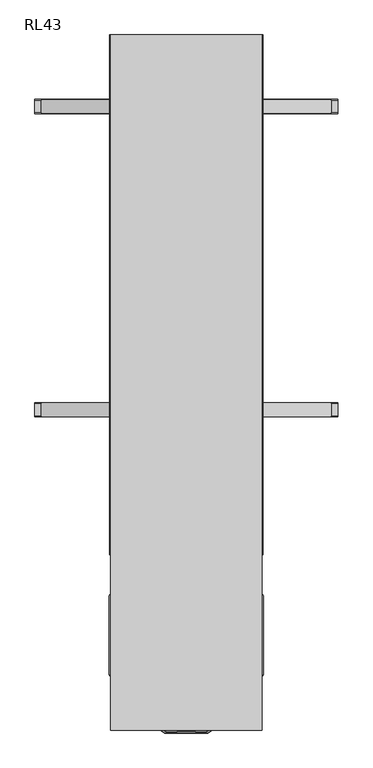
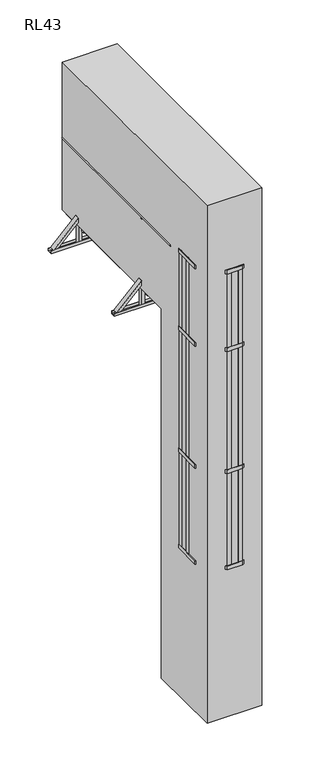
"""IFC4 building model written with IfcOpenShell, lengths in millimetres: proxy geometry, RL43."""

from ifc_helpers import new_model, si_unit, point, frame, frame_2d, origin, place, context, project, spatial, polyline, circle_curve, trimmed, segment, composite_curve, outline, extrude, faceted_brep, source, transform, mapped, element, save
from ifc_brep_helpers import plane_surface, cylinder_surface, advanced_brep


def rl43_3985ec1a(model_context):
    return source(origin(), model_context, "Body", "SolidModel", [
        advanced_brep(
        [(309.5, 2400.0, 5486.25), (309.5, 2400.0, 5459.75), (309.5, 41.3809842, 5486.25), (309.5, 41.3809842, 5459.75), (294.5187617, 41.3809842, 5493.0)],
        [
            (0, 1),
            (1, 0, circle_curve(frame((294.5187617, 2400.0, 5473.0), z_axis=(0.0, 1.0, 0.0), x_axis=(-1.0, 0.0, 0.0)), 20.0)),
            (0, 2),
            (2, 3),
            (3, 1),
            (3, 4, circle_curve(frame((294.5187617, 41.3809842, 5473.0), z_axis=(0.0, 1.0, 0.0), x_axis=(-1.0, 0.0, 0.0)), 20.0)),
            (4, 2, circle_curve(frame((294.5187617, 41.3809842, 5473.0), z_axis=(0.0, 1.0, 0.0), x_axis=(-1.0, 0.0, 0.0)), 20.0)),
        ],
        [
            plane_surface(frame((274.5187617, 2400.0, 5473.0), z_axis=(0.0, 1.0, 0.0), x_axis=(0.0, 0.0, 1.0))),
            plane_surface(frame((309.5, 0.0, 5459.75), z_axis=(1.0, 0.0, 0.0), x_axis=(0.0, 1.0, 0.0))),
            cylinder_surface(frame((294.5187617, 2400.0, 5473.0), z_axis=(0.0, -1.0, 0.0), x_axis=(-1.0, 0.0, 0.0)), 20.0),
            plane_surface(frame((372.2487373, 41.3809842, 5000.0), z_axis=(0.0, -1.0, 0.0), x_axis=(-1.0, 0.0, 0.0))),
        ],
        [
            (0, [[1, 2]]),
            (1, [[-1, 3, 4, 5]]),
            (2, [[-2, -5, 6, 7, -3]]),
            (3, [[-4, -7, -6]]),
        ],
    ),
        advanced_brep(
        [(-309.5, 2400.0, 5486.25), (-309.5, 2400.0, 5459.75), (-309.5, 41.3809842, 5459.75), (-309.5, 41.3809842, 5486.25), (-294.5187617, 41.3809842, 5493.0)],
        [
            (0, 1, circle_curve(frame((-294.5187617, 2400.0, 5473.0), z_axis=(0.0, 1.0, 0.0), x_axis=(1.0, 0.0, 0.0)), 20.0)),
            (1, 0),
            (1, 2),
            (2, 3),
            (3, 0),
            (3, 4, circle_curve(frame((-294.5187617, 41.3809842, 5473.0), z_axis=(0.0, 1.0, 0.0), x_axis=(1.0, 0.0, 0.0)), 20.0)),
            (4, 2, circle_curve(frame((-294.5187617, 41.3809842, 5473.0), z_axis=(0.0, 1.0, 0.0), x_axis=(1.0, 0.0, 0.0)), 20.0)),
        ],
        [
            plane_surface(frame((-309.5, 2400.0, 5459.75), z_axis=(0.0, 1.0, 0.0), x_axis=(0.0, 0.0, 1.0))),
            plane_surface(frame((-309.5, 0.0, 5486.25), z_axis=(-1.0, 0.0, 0.0), x_axis=(0.0, 1.0, 0.0))),
            cylinder_surface(frame((-294.5187617, 2400.0, 5473.0), z_axis=(0.0, -1.0, 0.0), x_axis=(1.0, 0.0, 0.0)), 20.0),
            plane_surface(frame((372.2487373, 41.3809842, 5000.0), z_axis=(0.0, -1.0, 0.0), x_axis=(-1.0, 0.0, 0.0))),
        ],
        [
            (0, [[1, 2]]),
            (1, [[-2, 3, 4, 5]]),
            (2, [[-1, -5, 6, 7, -3]]),
            (3, [[-4, -7, -6]]),
        ],
    ),
        advanced_brep(
        [(349.5, 2400.0, 5961.43534), (349.5, 2400.0, 5943.0), (307.5, 2400.0, 5943.0), (307.5, 2400.0, 5961.43534), (349.5, 0.0, 5961.43534), (349.5, 0.0, 5943.0), (307.5, 0.0, 5943.0), (307.5, 0.0, 5961.43534), (328.5, 0.0, 6000.0)],
        [
            (0, 1),
            (1, 2),
            (2, 3),
            (3, 0, circle_curve(frame((328.5, 2400.0, 5975.0), z_axis=(0.0, 1.0, 0.0), x_axis=(-1.0, 0.0, 0.0)), 25.0)),
            (4, 5),
            (5, 1),
            (0, 4),
            (5, 6),
            (6, 2),
            (6, 7),
            (7, 3),
            (7, 8, circle_curve(frame((328.5, 0.0, 5975.0), z_axis=(0.0, 1.0, 0.0), x_axis=(-1.0, 0.0, 0.0)), 25.0)),
            (8, 4, circle_curve(frame((328.5, 0.0, 5975.0), z_axis=(0.0, 1.0, 0.0), x_axis=(-1.0, 0.0, 0.0)), 25.0)),
        ],
        [
            plane_surface(frame((303.5, 2400.0, 5975.0), z_axis=(0.0, 1.0, 0.0), x_axis=(0.0, 0.0, 1.0))),
            plane_surface(frame((349.5, 0.0, 5943.0), z_axis=(1.0, 0.0, 0.0), x_axis=(0.0, 1.0, 0.0))),
            plane_surface(frame((307.5, 0.0, 5943.0), z_axis=(0.0, 0.0, -1.0), x_axis=(0.0, 1.0, 0.0))),
            plane_surface(frame((307.5, 0.0, 5961.43534), z_axis=(-1.0, 0.0, 0.0), x_axis=(0.0, 1.0, 0.0))),
            cylinder_surface(frame((328.5, 2400.0, 5975.0), z_axis=(0.0, -1.0, 0.0), x_axis=(-1.0, 0.0, 0.0)), 25.0),
            plane_surface(frame((303.5, 0.0, 5975.0), z_axis=(0.0, -1.0, 0.0), x_axis=(0.0, 0.0, -1.0))),
        ],
        [
            (0, [[1, 2, 3, 4]]),
            (1, [[5, 6, -1, 7]]),
            (2, [[8, 9, -2, -6]]),
            (3, [[10, 11, -3, -9]]),
            (4, [[-4, -11, 12, 13, -7]]),
            (5, [[-10, -8, -5, -13, -12]]),
        ],
    ),
        advanced_brep(
        [(-349.5, 2400.0, 5961.43534), (-307.5, 2400.0, 5961.43534), (-307.5, 2400.0, 5943.0), (-349.5, 2400.0, 5943.0), (-349.5, 0.0, 5943.0), (-349.5, 0.0, 5961.43534), (-307.5, 0.0, 5943.0), (-307.5, 0.0, 5961.43534), (-328.5, 0.0, 6000.0)],
        [
            (0, 1, circle_curve(frame((-328.5, 2400.0, 5975.0), z_axis=(0.0, 1.0, 0.0), x_axis=(1.0, 0.0, 0.0)), 25.0)),
            (1, 2),
            (2, 3),
            (3, 0),
            (4, 5),
            (5, 0),
            (3, 4),
            (6, 4),
            (2, 6),
            (7, 6),
            (1, 7),
            (5, 8, circle_curve(frame((-328.5, 0.0, 5975.0), z_axis=(0.0, 1.0, 0.0), x_axis=(1.0, 0.0, 0.0)), 25.0)),
            (8, 7, circle_curve(frame((-328.5, 0.0, 5975.0), z_axis=(0.0, 1.0, 0.0), x_axis=(1.0, 0.0, 0.0)), 25.0)),
        ],
        [
            plane_surface(frame((-349.5, 2400.0, 5943.0), z_axis=(0.0, 1.0, 0.0), x_axis=(0.0, 0.0, 1.0))),
            plane_surface(frame((-349.5, 0.0, 5961.43534), z_axis=(-1.0, 0.0, 0.0), x_axis=(0.0, 1.0, 0.0))),
            plane_surface(frame((-349.5, 0.0, 5943.0), z_axis=(0.0, 0.0, -1.0), x_axis=(0.0, 1.0, 0.0))),
            plane_surface(frame((-307.5, 0.0, 5943.0), z_axis=(1.0, 0.0, 0.0), x_axis=(0.0, 1.0, 0.0))),
            cylinder_surface(frame((-328.5, 2400.0, 5975.0), z_axis=(0.0, -1.0, 0.0), x_axis=(1.0, 0.0, 0.0)), 25.0),
            plane_surface(frame((-349.5, 0.0, 5943.0), z_axis=(0.0, -1.0, 0.0), x_axis=(0.0, 0.0, -1.0))),
        ],
        [
            (0, [[1, 2, 3, 4]]),
            (1, [[5, 6, -4, 7]]),
            (2, [[8, -7, -3, 9]]),
            (3, [[10, -9, -2, 11]]),
            (4, [[-1, -6, 12, 13, -11]]),
            (5, [[-5, -8, -10, -13, -12]]),
        ],
    ),
        extrude(outline(polyline([(300.0, 2400.0), (300.0, 0.0), (-300.0, 0.0), (-300.0, 2400.0), (300.0, 2400.0)]), holes=[polyline([(262.0, 2362.0), (-262.0, 2362.0), (-262.0, 38.0), (262.0, 38.0), (262.0, 2362.0)])]), frame((0.0, 0.0, 4924.2375855), z_axis=(0.0, 0.0, 1.0), x_axis=(1.0, 0.0, 0.0)), (0.0, 0.0, 1.0), 57.2624145),
        extrude(outline(polyline([(699.5, 4788.0), (702.5, 4788.0), (702.5, 4750.0), (637.5, 4750.0), (637.5, 4788.0), (640.5, 4788.0), (640.5, 4753.0), (699.5, 4753.0), (699.5, 4788.0)])), frame((-700.0, 0.0, 0.0), z_axis=(1.0, 0.0, 0.0), x_axis=(0.0, 1.0, 0.0)), (0.0, 0.0, 1.0), 1400.0),
        extrude(outline(polyline([(2102.5, 4788.0), (2102.5, 4750.0), (2037.5, 4750.0), (2037.5, 4788.0), (2040.5, 4788.0), (2040.5, 4753.0), (2099.5, 4753.0), (2099.5, 4788.0), (2102.5, 4788.0)])), frame((-700.0, 0.0, 0.0), z_axis=(1.0, 0.0, 0.0), x_axis=(0.0, 1.0, 0.0)), (0.0, 0.0, 1.0), 1400.0),
        extrude(outline(polyline([(-29.0, -38.0), (-32.0, -38.0), (-32.0, 0.0), (32.0, 0.0), (32.0, -38.0), (29.0, -38.0), (29.0, -2.9999999), (-29.0, -2.9999999), (-29.0, -38.0)])), frame((670.0, 670.0, 4788.0), z_axis=(-0.7071067811865459, 0.0, 0.7071067811865492), x_axis=(0.0, -1.0, 0.0)), (0.0, 0.0, 1.0), 456.0838739),
        extrude(outline(polyline([(-29.0, 38.0), (-29.0, 2.9999999), (29.0, 2.9999999), (29.0, 38.0), (32.0, 38.0), (32.0, 0.0), (-32.0, 0.0), (-32.0, 38.0), (-29.0, 38.0)])), frame((-670.0, 670.0, 4788.0), z_axis=(0.7071067811865526, 0.0, 0.7071067811865425), x_axis=(0.0, -1.0, 0.0)), (0.0, 0.0, 1.0), 456.0838739),
        extrude(outline(polyline([(-29.0, -38.0), (-32.0, -38.0), (-32.0, 0.0), (32.0, 0.0), (32.0, -38.0), (29.0, -38.0), (29.0, -2.9999999), (-29.0, -2.9999999), (-29.0, -38.0)])), frame((670.0, 2070.0, 4788.0), z_axis=(-0.7071067811865461, 0.0, 0.7071067811865491), x_axis=(0.0, -1.0, 0.0)), (0.0, 0.0, 1.0), 456.0838739),
        extrude(outline(polyline([(-29.0, 38.0), (-29.0, 2.9999999), (29.0, 2.9999999), (29.0, 38.0), (32.0, 38.0), (32.0, 0.0), (-32.0, 0.0), (-32.0, 38.0), (-29.0, 38.0)])), frame((-670.0, 2070.0, 4788.0), z_axis=(0.7071067811865526, 0.0, 0.7071067811865425), x_axis=(0.0, -1.0, 0.0)), (0.0, 0.0, 1.0), 456.0838739),
        extrude(outline(polyline([(347.5, 699.0), (347.5, 641.0), (309.5, 641.0), (309.5, 699.0), (347.5, 699.0)])), frame((0.0, 0.0, 4753.0), z_axis=(0.0, 0.0, 1.0), x_axis=(1.0, 0.0, 0.0)), (0.0, 0.0, 1.0), 1190.0),
        extrude(outline(polyline([(347.5, 2099.0), (347.5, 2041.0), (309.5, 2041.0), (309.5, 2099.0), (347.5, 2099.0)])), frame((0.0, 0.0, 4753.0), z_axis=(0.0, 0.0, 1.0), x_axis=(1.0, 0.0, 0.0)), (0.0, 0.0, 1.0), 1190.0),
        extrude(outline(polyline([(-309.5, 2099.0), (-309.5, 2041.0), (-347.5, 2041.0), (-347.5, 2099.0), (-309.5, 2099.0)])), frame((0.0, 0.0, 4753.0), z_axis=(0.0, 0.0, 1.0), x_axis=(1.0, 0.0, 0.0)), (0.0, 0.0, 1.0), 1190.0),
        extrude(outline(polyline([(-309.5, 699.0), (-309.5, 641.0), (-347.5, 641.0), (-347.5, 699.0), (-309.5, 699.0)])), frame((0.0, 0.0, 4753.0), z_axis=(0.0, 0.0, 1.0), x_axis=(1.0, 0.0, 0.0)), (0.0, 0.0, 1.0), 1190.0),
        extrude(outline(polyline([(300.0, 2400.0), (300.0, 0.0), (-300.0, 0.0), (-300.0, 2400.0), (300.0, 2400.0)])), frame((0.0, 0.0, 4981.5), z_axis=(0.0, 0.0, 1.0), x_axis=(1.0, 0.0, 0.0)), (0.0, 0.0, 1.0), 18.5),
        extrude(outline(polyline([(0.0, -75.0156698), (0.0, 0.0), (6.0, 0.0), (6.0, -75.0156698), (0.0, -75.0156698)])), frame((300.0, 61.9987697, 4924.2375855), z_axis=(0.0, -0.22820939732088094, 0.9736120741724809), x_axis=(1.0, 0.0, 0.0)), (0.0, 0.0, 1.0), 56.5477611),
        extrude(outline(polyline([(0.0, -75.0156698), (0.0, 0.0), (6.0, 0.0), (6.0, -75.0156698), (0.0, -75.0156698)])), frame((-300.0, -11.0373922, 4907.1183047), z_axis=(0.0, -0.22820939732088089, 0.9736120741724809), x_axis=(-1.0, 0.0, 0.0)), (0.0, 0.0, 1.0), 56.5477611),
        extrude(outline(polyline([(300.0, 1990.0), (300.0, 2150.0), (309.5, 2150.0), (309.5, 1990.0), (300.0, 1990.0)])), frame((0.0, 0.0, 4920.0), z_axis=(0.0, 0.0, 1.0), x_axis=(1.0, 0.0, 0.0)), (0.0, 0.0, 1.0), 80.0),
        extrude(outline(polyline([(300.0, 590.0), (300.0, 750.0), (309.5, 750.0), (309.5, 590.0), (300.0, 590.0)])), frame((0.0, 0.0, 4920.0), z_axis=(0.0, 0.0, 1.0), x_axis=(1.0, 0.0, 0.0)), (0.0, 0.0, 1.0), 80.0),
        extrude(outline(polyline([(-300.0, 2150.0), (-300.0, 1990.0), (-309.5, 1990.0), (-309.5, 2150.0), (-300.0, 2150.0)])), frame((0.0, 0.0, 4920.0), z_axis=(0.0, 0.0, 1.0), x_axis=(1.0, 0.0, 0.0)), (0.0, 0.0, 1.0), 80.0),
        extrude(outline(polyline([(-300.0, 750.0), (-300.0, 590.0), (-309.5, 590.0), (-309.5, 750.0), (-300.0, 750.0)])), frame((0.0, 0.0, 4920.0), z_axis=(0.0, 0.0, 1.0), x_axis=(1.0, 0.0, 0.0)), (0.0, 0.0, 1.0), 80.0),
        extrude(outline(polyline([(262.0, 1831.0), (262.0, 1793.0), (-262.0, 1793.0), (-262.0, 1831.0), (262.0, 1831.0)])), frame((0.0, 0.0, 4923.5), z_axis=(0.0, 0.0, 1.0), x_axis=(1.0, 0.0, 0.0)), (0.0, 0.0, 1.0), 58.0),
        extrude(outline(polyline([(262.0, 1240.5), (262.0, 1202.5), (-262.0, 1202.5), (-262.0, 1240.5), (262.0, 1240.5)])), frame((0.0, 0.0, 4923.5), z_axis=(0.0, 0.0, 1.0), x_axis=(1.0, 0.0, 0.0)), (0.0, 0.0, 1.0), 58.0),
        extrude(outline(polyline([(262.0, 650.0), (262.0, 612.0), (-262.0, 612.0), (-262.0, 650.0), (262.0, 650.0)])), frame((0.0, 0.0, 4923.5), z_axis=(0.0, 0.0, 1.0), x_axis=(1.0, 0.0, 0.0)), (0.0, 0.0, 1.0), 58.0),
        extrude(outline(polyline([(-350.5, -400.6413289), (-350.5, -350.6413289), (-338.5, -350.6413289), (-338.5, -400.6413289), (-350.5, -400.6413289)])), frame((0.0, 0.0, 2000.0), z_axis=(0.0, 0.0, 1.0), x_axis=(1.0, 0.0, 0.0)), (0.0, 0.0, 1.0), 4050.0),
        extrude(outline(polyline([(-350.5, -245.5), (-350.5, -195.5), (-338.5, -195.5), (-338.5, -245.5), (-350.5, -245.5)])), frame((0.0, 0.0, 2000.0), z_axis=(0.0, 0.0, 1.0), x_axis=(1.0, 0.0, 0.0)), (0.0, 0.0, 1.0), 4050.0),
        extrude(outline(polyline([(-100.0, -822.5), (-250.5, -722.5), (-356.5, -552.5), (-356.5, -188.7646621), (-306.0, -108.7646621), (-306.0, -5.5), (-300.0, -5.5), (-300.0, -110.5), (-350.5, -190.5), (-350.5, -550.7826578), (-246.0965631, -718.2221321), (-98.1883719, -816.5), (98.1883719, -816.5), (246.0965631, -718.2221321), (350.5, -550.7826578), (350.5, -190.5), (300.0, -110.5), (300.0, -5.5), (306.0, -5.5), (306.0, -108.7646621), (356.5, -188.7646621), (356.5, -552.5), (250.5, -722.5), (100.0, -822.5), (-100.0, -822.5)])), frame((0.0, 0.0, 3300.0), z_axis=(0.0, 0.0, 1.0), x_axis=(1.0, 0.0, 0.0)), (0.0, 0.0, 1.0), 50.0),
        extrude(outline(polyline([(-100.0, -822.5), (-250.5, -722.5), (-356.5, -552.5), (-356.5, -188.7646621), (-306.0, -108.7646621), (-306.0, -5.5), (-300.0, -5.5), (-300.0, -110.5), (-350.5, -190.5), (-350.5, -550.7826578), (-246.0965631, -718.2221321), (-98.1883719, -816.5), (98.1883719, -816.5), (246.0965631, -718.2221321), (350.5, -550.7826578), (350.5, -190.5), (300.0, -110.5), (300.0, -5.5), (306.0, -5.5), (306.0, -108.7646621), (356.5, -188.7646621), (356.5, -552.5), (250.5, -722.5), (100.0, -822.5), (-100.0, -822.5)])), frame((0.0, 0.0, 4950.0), z_axis=(0.0, 0.0, 1.0), x_axis=(1.0, 0.0, 0.0)), (0.0, 0.0, 1.0), 50.0),
        extrude(outline(polyline([(-100.0, -822.5), (-250.5, -722.5), (-356.5, -552.5), (-356.5, -188.7646621), (-306.0, -108.7646621), (-306.0, -5.5), (-300.0, -5.5), (-300.0, -110.5), (-350.5, -190.5), (-350.5, -550.7826578), (-246.0965631, -718.2221321), (-98.1883719, -816.5), (98.1883719, -816.5), (246.0965631, -718.2221321), (350.5, -550.7826578), (350.5, -190.5), (300.0, -110.5), (300.0, -5.5), (306.0, -5.5), (306.0, -108.7646621), (356.5, -188.7646621), (356.5, -552.5), (250.5, -722.5), (100.0, -822.5), (-100.0, -822.5)])), frame((0.0, 0.0, 2000.0), z_axis=(0.0, 0.0, 1.0), x_axis=(1.0, 0.0, 0.0)), (0.0, 0.0, 1.0), 50.0),
        extrude(outline(polyline([(-93.1883719, -816.5), (-93.1883719, -804.5), (-43.1883719, -804.5), (-43.1883719, -816.5), (-93.1883719, -816.5)])), frame((0.0, 0.0, 2000.0), z_axis=(0.0, 0.0, 1.0), x_axis=(1.0, 0.0, 0.0)), (0.0, 0.0, 1.0), 4050.0),
        extrude(outline(polyline([(-311.2167249, -591.1041694), (-321.399429, -597.4533849), (-347.8544935, -555.0254512), (-337.6717895, -548.6762357), (-311.2167249, -591.1041694)])), frame((0.0, 0.0, 2000.0), z_axis=(0.0, 0.0, 1.0), x_axis=(1.0, 0.0, 0.0)), (0.0, 0.0, 1.0), 4050.0),
        extrude(outline(polyline([(-200.2870228, -748.6603648), (-241.9320595, -720.9892441), (-235.2909905, -710.9944353), (-193.6459538, -738.665556), (-200.2870228, -748.6603648)])), frame((0.0, 0.0, 2000.0), z_axis=(0.0, 0.0, 1.0), x_axis=(1.0, 0.0, 0.0)), (0.0, 0.0, 1.0), 4050.0),
        extrude(outline(polyline([(93.1883719, -816.5), (43.1883719, -816.5), (43.1883719, -804.5), (93.1883719, -804.5), (93.1883719, -816.5)])), frame((0.0, 0.0, 2000.0), z_axis=(0.0, 0.0, 1.0), x_axis=(1.0, 0.0, 0.0)), (0.0, 0.0, 1.0), 4050.0),
        extrude(outline(polyline([(311.2167249, -591.1041694), (337.6717895, -548.6762357), (347.8544935, -555.0254512), (321.399429, -597.4533849), (311.2167249, -591.1041694)])), frame((0.0, 0.0, 2000.0), z_axis=(0.0, 0.0, 1.0), x_axis=(1.0, 0.0, 0.0)), (0.0, 0.0, 1.0), 4050.0),
        extrude(outline(polyline([(200.2870228, -748.6603648), (193.6459538, -738.665556), (235.2909905, -710.9944353), (241.9320595, -720.9892441), (200.2870228, -748.6603648)])), frame((0.0, 0.0, 2000.0), z_axis=(0.0, 0.0, 1.0), x_axis=(1.0, 0.0, 0.0)), (0.0, 0.0, 1.0), 4050.0),
        extrude(outline(polyline([(350.5, -400.6413289), (338.5, -400.6413289), (338.5, -350.6413289), (350.5, -350.6413289), (350.5, -400.6413289)])), frame((0.0, 0.0, 2000.0), z_axis=(0.0, 0.0, 1.0), x_axis=(1.0, 0.0, 0.0)), (0.0, 0.0, 1.0), 4050.0),
        extrude(outline(polyline([(350.5, -245.5), (338.5, -245.5), (338.5, -195.5), (350.5, -195.5), (350.5, -245.5)])), frame((0.0, 0.0, 2000.0), z_axis=(0.0, 0.0, 1.0), x_axis=(1.0, 0.0, 0.0)), (0.0, 0.0, 1.0), 4050.0),
        extrude(outline(polyline([(-100.0, -822.5), (-250.5, -722.5), (-356.5, -552.5), (-356.5, -188.7646621), (-306.0, -108.7646621), (-306.0, -5.5), (-300.0, -5.5), (-300.0, -110.5), (-350.5, -190.5), (-350.5, -550.7826578), (-246.0965631, -718.2221321), (-98.1883719, -816.5), (98.1883719, -816.5), (246.0965631, -718.2221321), (350.5, -550.7826578), (350.5, -190.5), (300.0, -110.5), (300.0, -5.5), (306.0, -5.5), (306.0, -108.7646621), (356.5, -188.7646621), (356.5, -552.5), (250.5, -722.5), (100.0, -822.5), (-100.0, -822.5)])), frame((0.0, 0.0, 6000.0), z_axis=(0.0, 0.0, 1.0), x_axis=(1.0, 0.0, 0.0)), (0.0, 0.0, 1.0), 50.0),
        extrude(outline(composite_curve([segment(polyline([(-53.0, 4684.8823529), (-53.0, 4701.8823529)]), True, "CONTINUOUS"), segment(trimmed(circle_curve(frame_2d((-30.5, 4688.9111991)), 25.9711538), [point((-53.0, 4701.8823529))], [point((-8.0, 4701.8823529))], False, "CARTESIAN"), True, "CONTINUOUS"), segment(polyline([(-8.0, 4701.8823529), (-8.0, 4684.8823529), (-53.0, 4684.8823529)]), True, "CONTINUOUS")], self_intersect=False)), frame((-262.0, 0.0, 0.0), z_axis=(1.0, 0.0, 0.0), x_axis=(0.0, 1.0, 0.0)), (0.0, 0.0, 1.0), 524.0),
        extrude(outline(composite_curve([segment(polyline([(-53.0, 4399.7647059), (-53.0, 4416.7647059)]), True, "CONTINUOUS"), segment(trimmed(circle_curve(frame_2d((-30.5, 4403.793552)), 25.9711538), [point((-53.0, 4416.7647059))], [point((-8.0, 4416.7647059))], False, "CARTESIAN"), True, "CONTINUOUS"), segment(polyline([(-8.0, 4416.7647059), (-8.0, 4399.7647059), (-53.0, 4399.7647059)]), True, "CONTINUOUS")], self_intersect=False)), frame((-262.0, 0.0, 0.0), z_axis=(1.0, 0.0, 0.0), x_axis=(0.0, 1.0, 0.0)), (0.0, 0.0, 1.0), 524.0),
        extrude(outline(composite_curve([segment(polyline([(-53.0, 4114.6470588), (-53.0, 4131.6470588)]), True, "CONTINUOUS"), segment(trimmed(circle_curve(frame_2d((-30.5, 4118.675905)), 25.9711538), [point((-53.0, 4131.6470588))], [point((-8.0, 4131.6470588))], False, "CARTESIAN"), True, "CONTINUOUS"), segment(polyline([(-8.0, 4131.6470588), (-8.0, 4114.6470588), (-53.0, 4114.6470588)]), True, "CONTINUOUS")], self_intersect=False)), frame((-262.0, 0.0, 0.0), z_axis=(1.0, 0.0, 0.0), x_axis=(0.0, 1.0, 0.0)), (0.0, 0.0, 1.0), 524.0),
        extrude(outline(composite_curve([segment(polyline([(-53.0, 3829.5294118), (-53.0, 3846.5294118)]), True, "CONTINUOUS"), segment(trimmed(circle_curve(frame_2d((-30.5, 3833.5582579)), 25.9711538), [point((-53.0, 3846.5294118))], [point((-8.0, 3846.5294118))], False, "CARTESIAN"), True, "CONTINUOUS"), segment(polyline([(-8.0, 3846.5294118), (-8.0, 3829.5294118), (-53.0, 3829.5294118)]), True, "CONTINUOUS")], self_intersect=False)), frame((-262.0, 0.0, 0.0), z_axis=(1.0, 0.0, 0.0), x_axis=(0.0, 1.0, 0.0)), (0.0, 0.0, 1.0), 524.0),
        extrude(outline(composite_curve([segment(polyline([(-53.0, 3544.4117647), (-53.0, 3561.4117647)]), True, "CONTINUOUS"), segment(trimmed(circle_curve(frame_2d((-30.5, 3548.4406109)), 25.9711538), [point((-53.0, 3561.4117647))], [point((-8.0, 3561.4117647))], False, "CARTESIAN"), True, "CONTINUOUS"), segment(polyline([(-8.0, 3561.4117647), (-8.0, 3544.4117647), (-53.0, 3544.4117647)]), True, "CONTINUOUS")], self_intersect=False)), frame((-262.0, 0.0, 0.0), z_axis=(1.0, 0.0, 0.0), x_axis=(0.0, 1.0, 0.0)), (0.0, 0.0, 1.0), 524.0),
        extrude(outline(composite_curve([segment(polyline([(-53.0, 3259.2941176), (-53.0, 3276.2941176)]), True, "CONTINUOUS"), segment(trimmed(circle_curve(frame_2d((-30.5, 3263.3229638)), 25.9711538), [point((-53.0, 3276.2941176))], [point((-8.0, 3276.2941176))], False, "CARTESIAN"), True, "CONTINUOUS"), segment(polyline([(-8.0, 3276.2941176), (-8.0, 3259.2941176), (-53.0, 3259.2941176)]), True, "CONTINUOUS")], self_intersect=False)), frame((-262.0, 0.0, 0.0), z_axis=(1.0, 0.0, 0.0), x_axis=(0.0, 1.0, 0.0)), (0.0, 0.0, 1.0), 524.0),
        extrude(outline(composite_curve([segment(polyline([(-53.0, 2974.1764706), (-53.0, 2991.1764706)]), True, "CONTINUOUS"), segment(trimmed(circle_curve(frame_2d((-30.5, 2978.2053167)), 25.9711538), [point((-53.0, 2991.1764706))], [point((-8.0, 2991.1764706))], False, "CARTESIAN"), True, "CONTINUOUS"), segment(polyline([(-8.0, 2991.1764706), (-8.0, 2974.1764706), (-53.0, 2974.1764706)]), True, "CONTINUOUS")], self_intersect=False)), frame((-262.0, 0.0, 0.0), z_axis=(1.0, 0.0, 0.0), x_axis=(0.0, 1.0, 0.0)), (0.0, 0.0, 1.0), 524.0),
        extrude(outline(composite_curve([segment(polyline([(-53.0, 2689.0588235), (-53.0, 2706.0588235)]), True, "CONTINUOUS"), segment(trimmed(circle_curve(frame_2d((-30.5, 2693.0876697)), 25.9711538), [point((-53.0, 2706.0588235))], [point((-8.0, 2706.0588235))], False, "CARTESIAN"), True, "CONTINUOUS"), segment(polyline([(-8.0, 2706.0588235), (-8.0, 2689.0588235), (-53.0, 2689.0588235)]), True, "CONTINUOUS")], self_intersect=False)), frame((-262.0, 0.0, 0.0), z_axis=(1.0, 0.0, 0.0), x_axis=(0.0, 1.0, 0.0)), (0.0, 0.0, 1.0), 524.0),
        extrude(outline(composite_curve([segment(polyline([(-53.0, 2403.9411765), (-53.0, 2420.9411765)]), True, "CONTINUOUS"), segment(trimmed(circle_curve(frame_2d((-30.5, 2407.9700226)), 25.9711538), [point((-53.0, 2420.9411765))], [point((-8.0, 2420.9411765))], False, "CARTESIAN"), True, "CONTINUOUS"), segment(polyline([(-8.0, 2420.9411765), (-8.0, 2403.9411765), (-53.0, 2403.9411765)]), True, "CONTINUOUS")], self_intersect=False)), frame((-262.0, 0.0, 0.0), z_axis=(1.0, 0.0, 0.0), x_axis=(0.0, 1.0, 0.0)), (0.0, 0.0, 1.0), 524.0),
        extrude(outline(composite_curve([segment(polyline([(-53.0, 2118.8235294), (-53.0, 2135.8235294)]), True, "CONTINUOUS"), segment(trimmed(circle_curve(frame_2d((-30.5, 2122.8523756)), 25.9711538), [point((-53.0, 2135.8235294))], [point((-8.0, 2135.8235294))], False, "CARTESIAN"), True, "CONTINUOUS"), segment(polyline([(-8.0, 2135.8235294), (-8.0, 2118.8235294), (-53.0, 2118.8235294)]), True, "CONTINUOUS")], self_intersect=False)), frame((-262.0, 0.0, 0.0), z_axis=(1.0, 0.0, 0.0), x_axis=(0.0, 1.0, 0.0)), (0.0, 0.0, 1.0), 524.0),
        extrude(outline(composite_curve([segment(polyline([(-53.0, 1833.7058824), (-53.0, 1850.7058824)]), True, "CONTINUOUS"), segment(trimmed(circle_curve(frame_2d((-30.5, 1837.7347285)), 25.9711538), [point((-53.0, 1850.7058824))], [point((-8.0, 1850.7058824))], False, "CARTESIAN"), True, "CONTINUOUS"), segment(polyline([(-8.0, 1850.7058824), (-8.0, 1833.7058824), (-53.0, 1833.7058824)]), True, "CONTINUOUS")], self_intersect=False)), frame((-262.0, 0.0, 0.0), z_axis=(1.0, 0.0, 0.0), x_axis=(0.0, 1.0, 0.0)), (0.0, 0.0, 1.0), 524.0),
        extrude(outline(composite_curve([segment(polyline([(-53.0, 1548.5882353), (-53.0, 1565.5882353)]), True, "CONTINUOUS"), segment(trimmed(circle_curve(frame_2d((-30.5, 1552.6170814)), 25.9711538), [point((-53.0, 1565.5882353))], [point((-8.0, 1565.5882353))], False, "CARTESIAN"), True, "CONTINUOUS"), segment(polyline([(-8.0, 1565.5882353), (-8.0, 1548.5882353), (-53.0, 1548.5882353)]), True, "CONTINUOUS")], self_intersect=False)), frame((-262.0, 0.0, 0.0), z_axis=(1.0, 0.0, 0.0), x_axis=(0.0, 1.0, 0.0)), (0.0, 0.0, 1.0), 524.0),
        extrude(outline(composite_curve([segment(polyline([(-53.0, 1263.4705882), (-53.0, 1280.4705882)]), True, "CONTINUOUS"), segment(trimmed(circle_curve(frame_2d((-30.5, 1267.4994344)), 25.9711538), [point((-53.0, 1280.4705882))], [point((-8.0, 1280.4705882))], False, "CARTESIAN"), True, "CONTINUOUS"), segment(polyline([(-8.0, 1280.4705882), (-8.0, 1263.4705882), (-53.0, 1263.4705882)]), True, "CONTINUOUS")], self_intersect=False)), frame((-262.0, 0.0, 0.0), z_axis=(1.0, 0.0, 0.0), x_axis=(0.0, 1.0, 0.0)), (0.0, 0.0, 1.0), 524.0),
        extrude(outline(composite_curve([segment(polyline([(-53.0, 978.3529412), (-53.0, 995.3529412)]), True, "CONTINUOUS"), segment(trimmed(circle_curve(frame_2d((-30.5, 982.3817873)), 25.9711538), [point((-53.0, 995.3529412))], [point((-8.0, 995.3529412))], False, "CARTESIAN"), True, "CONTINUOUS"), segment(polyline([(-8.0, 995.3529412), (-8.0, 978.3529412), (-53.0, 978.3529412)]), True, "CONTINUOUS")], self_intersect=False)), frame((-262.0, 0.0, 0.0), z_axis=(1.0, 0.0, 0.0), x_axis=(0.0, 1.0, 0.0)), (0.0, 0.0, 1.0), 524.0),
        extrude(outline(composite_curve([segment(polyline([(-53.0, 693.2352941), (-53.0, 710.2352941)]), True, "CONTINUOUS"), segment(trimmed(circle_curve(frame_2d((-30.5, 697.2641403)), 25.9711538), [point((-53.0, 710.2352941))], [point((-8.0, 710.2352941))], False, "CARTESIAN"), True, "CONTINUOUS"), segment(polyline([(-8.0, 710.2352941), (-8.0, 693.2352941), (-53.0, 693.2352941)]), True, "CONTINUOUS")], self_intersect=False)), frame((-262.0, 0.0, 0.0), z_axis=(1.0, 0.0, 0.0), x_axis=(0.0, 1.0, 0.0)), (0.0, 0.0, 1.0), 524.0),
        extrude(outline(composite_curve([segment(polyline([(-53.0, 408.1176471), (-53.0, 425.1176471)]), True, "CONTINUOUS"), segment(trimmed(circle_curve(frame_2d((-30.5, 412.1464932)), 25.9711538), [point((-53.0, 425.1176471))], [point((-8.0, 425.1176471))], False, "CARTESIAN"), True, "CONTINUOUS"), segment(polyline([(-8.0, 425.1176471), (-8.0, 408.1176471), (-53.0, 408.1176471)]), True, "CONTINUOUS")], self_intersect=False)), frame((-262.0, 0.0, 0.0), z_axis=(1.0, 0.0, 0.0), x_axis=(0.0, 1.0, 0.0)), (0.0, 0.0, 1.0), 524.0),
        extrude(outline(composite_curve([segment(polyline([(-53.0, 4970.0), (-53.0, 4987.0)]), True, "CONTINUOUS"), segment(trimmed(circle_curve(frame_2d((-30.5, 4974.0288462)), 25.9711538), [point((-53.0, 4987.0))], [point((-8.0, 4987.0))], False, "CARTESIAN"), True, "CONTINUOUS"), segment(polyline([(-8.0, 4987.0), (-8.0, 4970.0), (-53.0, 4970.0)]), True, "CONTINUOUS")], self_intersect=False)), frame((-262.0, 0.0, 0.0), z_axis=(1.0, 0.0, 0.0), x_axis=(0.0, 1.0, 0.0)), (0.0, 0.0, 1.0), 524.0),
        extrude(outline(composite_curve([segment(polyline([(-53.0, 123.0), (-53.0, 140.0)]), True, "CONTINUOUS"), segment(trimmed(circle_curve(frame_2d((-30.5, 127.0288462)), 25.9711538), [point((-53.0, 140.0))], [point((-8.0, 140.0))], False, "CARTESIAN"), True, "CONTINUOUS"), segment(polyline([(-8.0, 140.0), (-8.0, 123.0), (-53.0, 123.0)]), True, "CONTINUOUS")], self_intersect=False)), frame((-262.0, 0.0, 0.0), z_axis=(1.0, 0.0, 0.0), x_axis=(0.0, 1.0, 0.0)), (0.0, 0.0, 1.0), 524.0),
        extrude(outline(polyline([(300.0, -59.5), (262.0, -59.5), (262.0, -1.5), (300.0, -1.5), (300.0, -59.5)])), frame((0.0, 0.0, 3.0), z_axis=(0.0, 0.0, 1.0), x_axis=(1.0, 0.0, 0.0)), (0.0, 0.0, 1.0), 6047.0),
        extrude(outline(polyline([(-262.0, -59.5), (-300.0, -59.5), (-300.0, -1.5), (-262.0, -1.5), (-262.0, -59.5)])), frame((0.0, 0.0, 3.0), z_axis=(0.0, 0.0, 1.0), x_axis=(1.0, 0.0, 0.0)), (0.0, 0.0, 1.0), 6047.0),
        faceted_brep([(-303.5, -250.5, 0.0), (-250.5, -250.5, 0.0), (-250.5, -250.5, 3.0), (-300.5, -250.5, 3.0), (-303.5, -250.5, 3.0), (-300.5, 109.5, 3.0), (-250.5, 109.5, 3.0), (-250.5, 109.5, 0.0), (-303.5, 109.5, 0.0), (-303.5, 109.5, 3.0), (-300.5, -203.5, 50.0), (-300.5, 62.5, 50.0), (-303.5, 62.5, 50.0), (-303.5, -203.5, 50.0)], [[[0, 1, 2, 3, 4]], [[5, 6, 7, 8, 9]], [[10, 11, 12, 13]], [[8, 0, 4, 13, 12, 9]], [[1, 0, 8, 7]], [[2, 1, 7, 6]], [[3, 2, 6, 5]], [[3, 5, 11, 10]], [[5, 9, 12, 11]], [[4, 3, 10, 13]]]),
        faceted_brep([(300.5, -250.5, 3.0), (250.5, -250.5, 3.0), (250.5, -250.5, 0.0), (303.5, -250.5, 0.0), (303.5, -250.5, 3.0), (303.5, 109.5, 0.0), (250.5, 109.5, 0.0), (250.5, 109.5, 3.0), (300.5, 109.5, 3.0), (303.5, 109.5, 3.0), (303.5, 62.5, 50.0), (303.5, -203.5, 50.0), (300.5, 62.5, 50.0), (300.5, -203.5, 50.0)], [[[0, 1, 2, 3, 4]], [[5, 6, 7, 8, 9]], [[1, 0, 8, 7]], [[2, 1, 7, 6]], [[3, 2, 6, 5]], [[3, 5, 9, 10, 11, 4]], [[11, 10, 12, 13]], [[8, 0, 13, 12]], [[9, 8, 12, 10]], [[0, 4, 11, 13]]]),
        extrude(outline(polyline([(200.0, 5000.0), (200.0, 0.0), (-809.5, 0.0), (-809.5, 7000.0), (2400.0, 7000.0), (2400.0, 5000.0), (200.0, 5000.0)])), frame((-350.5, 0.0, 0.0), z_axis=(1.0, 0.0, 0.0), x_axis=(0.0, 1.0, 0.0)), (0.0, 0.0, 1.0), 701.0),
        extrude(outline(polyline([(306.5, 200.0), (306.5, -30.0), (300.5, -30.0), (300.5, 195.0), (-300.5, 195.0), (-300.5, -30.0), (-306.5, -30.0), (-306.5, 200.0), (306.5, 200.0)])), frame((0.0, 0.0, 2460.0), z_axis=(0.0, 0.0, 1.0), x_axis=(1.0, 0.0, 0.0)), (0.0, 0.0, 1.0), 80.0),
        extrude(outline(polyline([(306.5, 200.0), (306.5, -30.0), (300.5, -30.0), (300.5, 195.0), (-300.5, 195.0), (-300.5, -30.0), (-306.5, -30.0), (-306.5, 200.0), (306.5, 200.0)])), frame((0.0, 0.0, 4360.0), z_axis=(0.0, 0.0, 1.0), x_axis=(1.0, 0.0, 0.0)), (0.0, 0.0, 1.0), 80.0),
    ])


if __name__ == "__main__":
    model = new_model("IFC4")
    model_context = context("Model", 3, world=origin())
    ifc_project = project(units=[si_unit("LENGTHUNIT", "METRE", prefix="MILLI")], contexts=[model_context])
    site = spatial("IfcSite", under=ifc_project)
    building = spatial("IfcBuilding", under=site)
    placement = place(None, origin())
    rl43_shape = rl43_3985ec1a(model_context)
    element("IfcBuildingElementProxy", 1, Name="RL43", ObjectType="RL43", at=placement, inside=building, context=model_context, shape_type="MappedRepresentation", body=[
        mapped(rl43_shape, transform((0.0, 0.0, 0.0), x_axis=(1.0, 0.0, 0.0), y_axis=(0.0, 1.0, 0.0), z_axis=(0.0, 0.0, 1.0))),
    ])
    save(model, "model.ifc")
